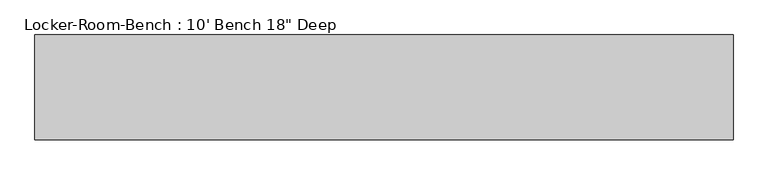
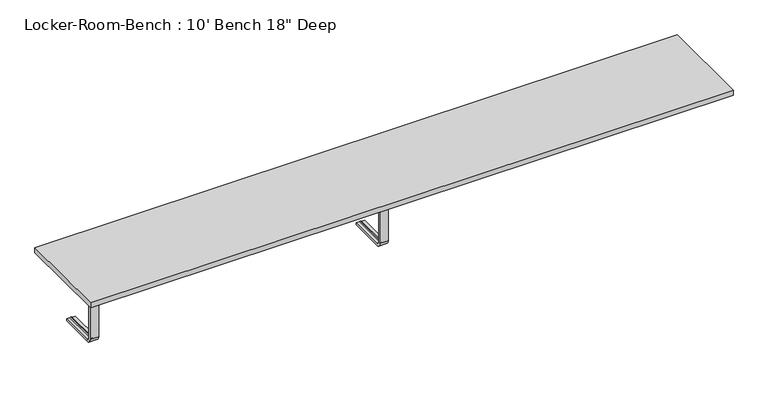
"""IFC4 building model written with IfcOpenShell, lengths in millimetres: proxy geometry."""

from ifc_helpers import new_model, si_unit, point, frame, origin, place, context, project, spatial, polyline, circle_curve, ellipse_curve, trimmed, outline, extrude, source, transform, mapped, element, save
from ifc_brep_helpers import plane_surface, cylinder_surface, revolved_surface, advanced_brep


def proxy_f73d78fc(model_context):
    return source(origin(), model_context, "Body", "SolidModel", [
        advanced_brep(
        [(-1354.0, 193.6, 381.4), (-1354.0, 193.6, 371.4), (-1369.0, 193.6, 371.4), (-1374.0, 193.6, 369.0684617), (-1379.0, 193.6, 371.4), (-1394.0, 193.6, 371.4), (-1394.0, 193.6, 381.4), (-1394.0, 25.0, 381.4), (-1354.0, 25.0, 381.4), (-1394.0, 25.0, 371.4), (-1394.0, 10.0, 356.4), (-1394.0, 10.0, 40.0), (-1394.0, 25.0, 25.0), (-1394.0, 193.6, 25.0), (-1394.0, 193.6, 15.0), (-1394.0, 25.0, 15.0), (-1394.0, 0.0, 40.0), (-1394.0, 0.0, 356.4), (-1379.0, 25.0, 371.4), (-1374.0, 25.0, 369.0684617), (-1369.0, 25.0, 371.4), (-1354.0, 25.0, 371.4), (-1354.0, 0.0, 356.4), (-1354.0, 0.0, 40.0), (-1354.0, 25.0, 15.0), (-1354.0, 193.6, 15.0), (-1354.0, 193.6, 25.0), (-1354.0, 25.0, 25.0), (-1354.0, 10.0, 40.0), (-1354.0, 10.0, 356.4), (-1379.0, 10.0, 356.4), (-1374.0, 12.3315383, 356.4), (-1369.0, 10.0, 356.4), (-1379.0, 10.0, 40.0), (-1374.0, 12.3315383, 40.0), (-1369.0, 10.0, 40.0), (-1379.0, 25.0, 25.0), (-1374.0, 25.0, 27.3315383), (-1369.0, 25.0, 25.0), (-1379.0, 193.6, 25.0), (-1374.0, 193.6, 27.3315383), (-1369.0, 193.6, 25.0)],
        [
            (0, 1),
            (1, 2),
            (2, 3, circle_curve(frame((-1373.7003591, 193.6, 374.9529162), z_axis=(0.0, 1.0, 0.0), x_axis=(0.0, 0.0, 1.0)), 5.8920785)),
            (3, 4, circle_curve(frame((-1374.2996409, 193.6, 374.9529162), z_axis=(0.0, 1.0, 0.0), x_axis=(0.0, 0.0, 1.0)), 5.8920785)),
            (4, 5),
            (5, 6),
            (6, 0),
            (6, 7),
            (7, 8),
            (8, 0),
            (5, 9),
            (9, 10, circle_curve(frame((-1394.0, 25.0, 356.4), z_axis=(1.0, 0.0, 0.0), x_axis=(0.0, 0.0, 1.0)), 15.0)),
            (10, 11),
            (11, 12, circle_curve(frame((-1394.0, 25.0, 40.0), z_axis=(1.0, 0.0, 0.0), x_axis=(0.0, -1.0, 0.0)), 15.0)),
            (12, 13),
            (13, 14),
            (14, 15),
            (15, 16, circle_curve(frame((-1394.0, 25.0, 40.0), z_axis=(-1.0, 0.0, 0.0), x_axis=(0.0, -1.0, 0.0)), 25.0)),
            (16, 17),
            (17, 7, circle_curve(frame((-1394.0, 25.0, 356.4), z_axis=(-1.0, 0.0, 0.0), x_axis=(0.0, 0.0, 1.0)), 25.0)),
            (4, 18),
            (18, 9),
            (3, 19),
            (19, 18, circle_curve(frame((-1374.2996409, 25.0, 374.9529162), z_axis=(0.0, 1.0, 0.0), x_axis=(0.0, 0.0, 1.0)), 5.8920785)),
            (2, 20),
            (20, 19, circle_curve(frame((-1373.7003591, 25.0, 374.9529162), z_axis=(0.0, 1.0, 0.0), x_axis=(0.0, 0.0, 1.0)), 5.8920785)),
            (1, 21),
            (21, 20),
            (8, 22, circle_curve(frame((-1354.0, 25.0, 356.4), z_axis=(1.0, 0.0, 0.0), x_axis=(0.0, 0.0, 1.0)), 25.0)),
            (22, 23),
            (23, 24, circle_curve(frame((-1354.0, 25.0, 40.0), z_axis=(1.0, 0.0, 0.0), x_axis=(0.0, -1.0, 0.0)), 25.0)),
            (24, 25),
            (25, 26),
            (26, 27),
            (27, 28, circle_curve(frame((-1354.0, 25.0, 40.0), z_axis=(-1.0, 0.0, 0.0), x_axis=(0.0, -1.0, 0.0)), 15.0)),
            (28, 29),
            (29, 21, circle_curve(frame((-1354.0, 25.0, 356.4), z_axis=(-1.0, 0.0, 0.0), x_axis=(0.0, 0.0, 1.0)), 15.0)),
            (17, 22),
            (30, 10),
            (18, 30, circle_curve(frame((-1379.0, 25.0, 356.4), z_axis=(1.0, 0.0, 0.0), x_axis=(0.0, 0.0, 1.0)), 15.0)),
            (31, 30, circle_curve(frame((-1374.2996409, 6.4470838, 356.4), z_axis=(0.0, 0.0, 1.0), x_axis=(0.0, -1.0, 0.0)), 5.8920785)),
            (19, 31, circle_curve(frame((-1374.0, 25.0, 356.4), z_axis=(1.0, 0.0, 0.0), x_axis=(0.0, 0.0, 1.0)), 12.6684617)),
            (32, 31, circle_curve(frame((-1373.7003591, 6.4470838, 356.4), z_axis=(0.0, 0.0, 1.0), x_axis=(0.0, -1.0, 0.0)), 5.8920785)),
            (20, 32, circle_curve(frame((-1369.0, 25.0, 356.4), z_axis=(1.0, 0.0, 0.0), x_axis=(0.0, 0.0, 1.0)), 15.0)),
            (29, 32),
            (16, 23),
            (30, 33),
            (33, 11),
            (31, 34),
            (34, 33, circle_curve(frame((-1374.2996409, 6.4470838, 40.0), z_axis=(0.0, 0.0, 1.0), x_axis=(0.0, -1.0, 0.0)), 5.8920785)),
            (32, 35),
            (35, 34, circle_curve(frame((-1373.7003591, 6.4470838, 40.0), z_axis=(0.0, 0.0, 1.0), x_axis=(0.0, -1.0, 0.0)), 5.8920785)),
            (28, 35),
            (15, 24),
            (36, 12),
            (33, 36, circle_curve(frame((-1379.0, 25.0, 40.0), z_axis=(1.0, 0.0, 0.0), x_axis=(0.0, -1.0, 0.0)), 15.0)),
            (37, 36, circle_curve(frame((-1374.2996409, 25.0, 21.4470838), z_axis=(0.0, -1.0, 0.0), x_axis=(0.0, 0.0, -1.0)), 5.8920785)),
            (34, 37, circle_curve(frame((-1374.0, 25.0, 40.0), z_axis=(1.0, 0.0, 0.0), x_axis=(0.0, -1.0, 0.0)), 12.6684617)),
            (38, 37, circle_curve(frame((-1373.7003591, 25.0, 21.4470838), z_axis=(0.0, -1.0, 0.0), x_axis=(0.0, 0.0, -1.0)), 5.8920785)),
            (35, 38, circle_curve(frame((-1369.0, 25.0, 40.0), z_axis=(1.0, 0.0, 0.0), x_axis=(0.0, -1.0, 0.0)), 15.0)),
            (27, 38),
            (25, 14),
            (13, 39),
            (39, 40, circle_curve(frame((-1374.2996409, 193.6, 21.4470838), z_axis=(0.0, 1.0, 0.0), x_axis=(0.0, 0.0, -1.0)), 5.8920785)),
            (40, 41, circle_curve(frame((-1373.7003591, 193.6, 21.4470838), z_axis=(0.0, 1.0, 0.0), x_axis=(0.0, 0.0, -1.0)), 5.8920785)),
            (41, 26),
            (36, 39),
            (37, 40),
            (38, 41),
        ],
        [
            plane_surface(frame((-1374.0, 193.6, 381.4), z_axis=(0.0, 1.0, 0.0), x_axis=(1.0, 0.0, 0.0))),
            plane_surface(frame((-1354.0, 193.6, 381.4), z_axis=(0.0, 0.0, 1.0), x_axis=(0.0, -1.0, 0.0))),
            plane_surface(frame((-1394.0, 193.6, 381.4), z_axis=(-1.0, 0.0, 0.0), x_axis=(0.0, -1.0, 0.0))),
            plane_surface(frame((-1394.0, 193.6, 371.4), z_axis=(0.0, 0.0, -1.0), x_axis=(0.0, -1.0, 0.0))),
            cylinder_surface(frame((-1374.2996409, 193.6, 374.9529162), z_axis=(0.0, 1.0, 0.0), x_axis=(0.0, 0.0, 1.0)), 5.8920785),
            cylinder_surface(frame((-1373.7003591, 193.6, 374.9529162), z_axis=(0.0, 1.0, 0.0), x_axis=(0.0, 0.0, 1.0)), 5.8920785),
            plane_surface(frame((-1369.0, 193.6, 371.4), z_axis=(0.0, 0.0, -1.0), x_axis=(0.0, -1.0, 0.0))),
            plane_surface(frame((-1354.0, 193.6, 371.4), z_axis=(1.0, 0.0, 0.0), x_axis=(0.0, -1.0, 0.0))),
            cylinder_surface(frame((-1374.0, 25.0, 356.4), z_axis=(-1.0, 0.0, 0.0), x_axis=(0.0, 0.0, 1.0)), 25.0),
            revolved_surface(polyline([(-1394.0, 25.0, 371.4), (-1379.0, 25.0, 371.4)]), (-1374.0, 25.0, 356.4), (-1.0, 0.0, 0.0)),
            revolved_surface(trimmed(ellipse_curve(frame((-1374.2996409, 25.0, 374.9529162), z_axis=(0.0, -1.0, 0.0), x_axis=(0.0, 0.0, 1.0)), 5.8920785, 5.8920785), [point((-1379.0, 25.0, 371.4))], [point((-1374.0, 25.0, 369.0684617))], True, "CARTESIAN"), (-1374.0, 25.0, 356.4), (-1.0, 0.0, 0.0)),
            revolved_surface(trimmed(ellipse_curve(frame((-1373.7003591, 25.0, 374.9529162), z_axis=(0.0, -1.0, 0.0), x_axis=(0.0, 0.0, 1.0)), 5.8920785, 5.8920785), [point((-1374.0, 25.0, 369.0684617))], [point((-1369.0, 25.0, 371.4))], True, "CARTESIAN"), (-1374.0, 25.0, 356.4), (-1.0, 0.0, 0.0)),
            revolved_surface(polyline([(-1369.0, 25.0, 371.4), (-1354.0, 25.0, 371.4)]), (-1374.0, 25.0, 356.4), (-1.0, 0.0, 0.0)),
            plane_surface(frame((-1354.0, 0.0, 356.4), z_axis=(0.0, -1.0, 0.0), x_axis=(0.0, 0.0, -1.0))),
            plane_surface(frame((-1394.0, 10.0, 356.4), z_axis=(0.0, 1.0, 0.0), x_axis=(0.0, 0.0, -1.0))),
            cylinder_surface(frame((-1374.2996409, 6.4470838, 356.4), z_axis=(0.0, 0.0, 1.0), x_axis=(0.0, -1.0, 0.0)), 5.8920785),
            cylinder_surface(frame((-1373.7003591, 6.4470838, 356.4), z_axis=(0.0, 0.0, 1.0), x_axis=(0.0, -1.0, 0.0)), 5.8920785),
            plane_surface(frame((-1369.0, 10.0, 356.4), z_axis=(0.0, 1.0, 0.0), x_axis=(0.0, 0.0, -1.0))),
            cylinder_surface(frame((-1374.0, 25.0, 40.0), z_axis=(-1.0, 0.0, 0.0), x_axis=(0.0, -1.0, 0.0)), 25.0),
            revolved_surface(polyline([(-1394.0, 10.0, 40.0), (-1379.0, 10.0, 40.0)]), (-1374.0, 25.0, 40.0), (-1.0, 0.0, 0.0)),
            revolved_surface(trimmed(ellipse_curve(frame((-1374.2996409, 6.4470838, 40.0), z_axis=(0.0, 0.0, -1.0), x_axis=(0.0, -1.0, 0.0)), 5.8920785, 5.8920785), [point((-1379.0, 10.0, 40.0))], [point((-1374.0, 12.3315383, 40.0))], True, "CARTESIAN"), (-1374.0, 25.0, 40.0), (-1.0, 0.0, 0.0)),
            revolved_surface(trimmed(ellipse_curve(frame((-1373.7003591, 6.4470838, 40.0), z_axis=(0.0, 0.0, -1.0), x_axis=(0.0, -1.0, 0.0)), 5.8920785, 5.8920785), [point((-1374.0, 12.3315383, 40.0))], [point((-1369.0, 10.0, 40.0))], True, "CARTESIAN"), (-1374.0, 25.0, 40.0), (-1.0, 0.0, 0.0)),
            revolved_surface(polyline([(-1369.0, 10.0, 40.0), (-1354.0, 10.0, 40.0)]), (-1374.0, 25.0, 40.0), (-1.0, 0.0, 0.0)),
            plane_surface(frame((-1374.0, 193.6, 15.0), z_axis=(0.0, 1.0, 0.0), x_axis=(1.0, 0.0, 0.0))),
            plane_surface(frame((-1354.0, 25.0, 15.0), z_axis=(0.0, 0.0, -1.0), x_axis=(0.0, 1.0, 0.0))),
            plane_surface(frame((-1394.0, 25.0, 25.0), z_axis=(0.0, 0.0, 1.0), x_axis=(0.0, 1.0, 0.0))),
            cylinder_surface(frame((-1374.2996409, 25.0, 21.4470838), z_axis=(0.0, -1.0, 0.0), x_axis=(0.0, 0.0, -1.0)), 5.8920785),
            cylinder_surface(frame((-1373.7003591, 25.0, 21.4470838), z_axis=(0.0, -1.0, 0.0), x_axis=(0.0, 0.0, -1.0)), 5.8920785),
            plane_surface(frame((-1369.0, 25.0, 25.0), z_axis=(0.0, 0.0, 1.0), x_axis=(0.0, 1.0, 0.0))),
        ],
        [
            (0, [[1, 2, 3, 4, 5, 6, 7]]),
            (1, [[8, 9, 10, -7]]),
            (2, [[11, 12, 13, 14, 15, 16, 17, 18, 19, 20, -8, -6]]),
            (3, [[21, 22, -11, -5]]),
            (4, [[23, 24, -21, -4]]),
            (5, [[25, 26, -23, -3]]),
            (6, [[27, 28, -25, -2]]),
            (7, [[-10, 29, 30, 31, 32, 33, 34, 35, 36, 37, -27, -1]]),
            (8, [[38, -29, -9, -20]]),
            (9, [[39, -12, -22, 40]]),
            (10, [[41, -40, -24, 42]]),
            (11, [[43, -42, -26, 44]]),
            (12, [[45, -44, -28, -37]]),
            (13, [[-19, 46, -30, -38]]),
            (14, [[47, 48, -13, -39]]),
            (15, [[49, 50, -47, -41]]),
            (16, [[51, 52, -49, -43]]),
            (17, [[-36, 53, -51, -45]]),
            (18, [[54, -31, -46, -18]]),
            (19, [[55, -14, -48, 56]]),
            (20, [[57, -56, -50, 58]]),
            (21, [[59, -58, -52, 60]]),
            (22, [[61, -60, -53, -35]]),
            (23, [[62, -16, 63, 64, 65, 66, -33]]),
            (24, [[-17, -62, -32, -54]]),
            (25, [[67, -63, -15, -55]]),
            (26, [[68, -64, -67, -57]]),
            (27, [[69, -65, -68, -59]]),
            (28, [[-34, -66, -69, -61]]),
        ],
    ),
        advanced_brep(
        [(20.0, 193.6, 381.4), (20.0, 193.6, 371.4), (5.0, 193.6, 371.4), (0.0, 193.6, 369.0684617), (-5.0, 193.6, 371.4), (-20.0, 193.6, 371.4), (-20.0, 193.6, 381.4), (-20.0, 25.0, 381.4), (20.0, 25.0, 381.4), (-20.0, 25.0, 371.4), (-20.0, 10.0, 356.4), (-20.0, 10.0, 40.0), (-20.0, 25.0, 25.0), (-20.0, 193.6, 25.0), (-20.0, 193.6, 15.0), (-20.0, 25.0, 15.0), (-20.0, 0.0, 40.0), (-20.0, 0.0, 356.4), (-5.0, 25.0, 371.4), (0.0, 25.0, 369.0684617), (5.0, 25.0, 371.4), (20.0, 25.0, 371.4), (20.0, 0.0, 356.4), (20.0, 0.0, 40.0), (20.0, 25.0, 15.0), (20.0, 193.6, 15.0), (20.0, 193.6, 25.0), (20.0, 25.0, 25.0), (20.0, 10.0, 40.0), (20.0, 10.0, 356.4), (-5.0, 10.0, 356.4), (0.0, 12.3315383, 356.4), (5.0, 10.0, 356.4), (-5.0, 10.0, 40.0), (0.0, 12.3315383, 40.0), (5.0, 10.0, 40.0), (-5.0, 25.0, 25.0), (0.0, 25.0, 27.3315383), (5.0, 25.0, 25.0), (-5.0, 193.6, 25.0), (0.0, 193.6, 27.3315383), (5.0, 193.6, 25.0)],
        [
            (0, 1),
            (1, 2),
            (2, 3, circle_curve(frame((0.2996409, 193.6, 374.9529162), z_axis=(0.0, 1.0, 0.0), x_axis=(0.0, 0.0, 1.0)), 5.8920785)),
            (3, 4, circle_curve(frame((-0.2996409, 193.6, 374.9529162), z_axis=(0.0, 1.0, 0.0), x_axis=(0.0, 0.0, 1.0)), 5.8920785)),
            (4, 5),
            (5, 6),
            (6, 0),
            (6, 7),
            (7, 8),
            (8, 0),
            (5, 9),
            (9, 10, circle_curve(frame((-20.0, 25.0, 356.4), z_axis=(1.0, 0.0, 0.0), x_axis=(0.0, 0.0, 1.0)), 15.0)),
            (10, 11),
            (11, 12, circle_curve(frame((-20.0, 25.0, 40.0), z_axis=(1.0, 0.0, 0.0), x_axis=(0.0, -1.0, 0.0)), 15.0)),
            (12, 13),
            (13, 14),
            (14, 15),
            (15, 16, circle_curve(frame((-20.0, 25.0, 40.0), z_axis=(-1.0, 0.0, 0.0), x_axis=(0.0, -1.0, 0.0)), 25.0)),
            (16, 17),
            (17, 7, circle_curve(frame((-20.0, 25.0, 356.4), z_axis=(-1.0, 0.0, 0.0), x_axis=(0.0, 0.0, 1.0)), 25.0)),
            (4, 18),
            (18, 9),
            (3, 19),
            (19, 18, circle_curve(frame((-0.2996409, 25.0, 374.9529162), z_axis=(0.0, 1.0, 0.0), x_axis=(0.0, 0.0, 1.0)), 5.8920785)),
            (2, 20),
            (20, 19, circle_curve(frame((0.2996409, 25.0, 374.9529162), z_axis=(0.0, 1.0, 0.0), x_axis=(0.0, 0.0, 1.0)), 5.8920785)),
            (1, 21),
            (21, 20),
            (8, 22, circle_curve(frame((20.0, 25.0, 356.4), z_axis=(1.0, 0.0, 0.0), x_axis=(0.0, 0.0, 1.0)), 25.0)),
            (22, 23),
            (23, 24, circle_curve(frame((20.0, 25.0, 40.0), z_axis=(1.0, 0.0, 0.0), x_axis=(0.0, -1.0, 0.0)), 25.0)),
            (24, 25),
            (25, 26),
            (26, 27),
            (27, 28, circle_curve(frame((20.0, 25.0, 40.0), z_axis=(-1.0, 0.0, 0.0), x_axis=(0.0, -1.0, 0.0)), 15.0)),
            (28, 29),
            (29, 21, circle_curve(frame((20.0, 25.0, 356.4), z_axis=(-1.0, 0.0, 0.0), x_axis=(0.0, 0.0, 1.0)), 15.0)),
            (17, 22),
            (30, 10),
            (18, 30, circle_curve(frame((-5.0, 25.0, 356.4), z_axis=(1.0, 0.0, 0.0), x_axis=(0.0, 0.0, 1.0)), 15.0)),
            (31, 30, circle_curve(frame((-0.2996409, 6.4470838, 356.4), z_axis=(0.0, 0.0, 1.0), x_axis=(0.0, -1.0, 0.0)), 5.8920785)),
            (19, 31, circle_curve(frame((0.0, 25.0, 356.4), z_axis=(1.0, 0.0, 0.0), x_axis=(0.0, 0.0, 1.0)), 12.6684617)),
            (32, 31, circle_curve(frame((0.2996409, 6.4470838, 356.4), z_axis=(0.0, 0.0, 1.0), x_axis=(0.0, -1.0, 0.0)), 5.8920785)),
            (20, 32, circle_curve(frame((5.0, 25.0, 356.4), z_axis=(1.0, 0.0, 0.0), x_axis=(0.0, 0.0, 1.0)), 15.0)),
            (29, 32),
            (16, 23),
            (30, 33),
            (33, 11),
            (31, 34),
            (34, 33, circle_curve(frame((-0.2996409, 6.4470838, 40.0), z_axis=(0.0, 0.0, 1.0), x_axis=(0.0, -1.0, 0.0)), 5.8920785)),
            (32, 35),
            (35, 34, circle_curve(frame((0.2996409, 6.4470838, 40.0), z_axis=(0.0, 0.0, 1.0), x_axis=(0.0, -1.0, 0.0)), 5.8920785)),
            (28, 35),
            (15, 24),
            (36, 12),
            (33, 36, circle_curve(frame((-5.0, 25.0, 40.0), z_axis=(1.0, 0.0, 0.0), x_axis=(0.0, -1.0, 0.0)), 15.0)),
            (37, 36, circle_curve(frame((-0.2996409, 25.0, 21.4470838), z_axis=(0.0, -1.0, 0.0), x_axis=(0.0, 0.0, -1.0)), 5.8920785)),
            (34, 37, circle_curve(frame((0.0, 25.0, 40.0), z_axis=(1.0, 0.0, 0.0), x_axis=(0.0, -1.0, 0.0)), 12.6684617)),
            (38, 37, circle_curve(frame((0.2996409, 25.0, 21.4470838), z_axis=(0.0, -1.0, 0.0), x_axis=(0.0, 0.0, -1.0)), 5.8920785)),
            (35, 38, circle_curve(frame((5.0, 25.0, 40.0), z_axis=(1.0, 0.0, 0.0), x_axis=(0.0, -1.0, 0.0)), 15.0)),
            (27, 38),
            (25, 14),
            (13, 39),
            (39, 40, circle_curve(frame((-0.2996409, 193.6, 21.4470838), z_axis=(0.0, 1.0, 0.0), x_axis=(0.0, 0.0, -1.0)), 5.8920785)),
            (40, 41, circle_curve(frame((0.2996409, 193.6, 21.4470838), z_axis=(0.0, 1.0, 0.0), x_axis=(0.0, 0.0, -1.0)), 5.8920785)),
            (41, 26),
            (36, 39),
            (37, 40),
            (38, 41),
        ],
        [
            plane_surface(frame((0.0, 193.6, 381.4), z_axis=(0.0, 1.0, 0.0), x_axis=(1.0, 0.0, 0.0))),
            plane_surface(frame((20.0, 193.6, 381.4), z_axis=(0.0, 0.0, 1.0), x_axis=(0.0, -1.0, 0.0))),
            plane_surface(frame((-20.0, 193.6, 381.4), z_axis=(-1.0, 0.0, 0.0), x_axis=(0.0, -1.0, 0.0))),
            plane_surface(frame((-20.0, 193.6, 371.4), z_axis=(0.0, 0.0, -1.0), x_axis=(0.0, -1.0, 0.0))),
            cylinder_surface(frame((-0.2996409, 193.6, 374.9529162), z_axis=(0.0, 1.0, 0.0), x_axis=(0.0, 0.0, 1.0)), 5.8920785),
            cylinder_surface(frame((0.2996409, 193.6, 374.9529162), z_axis=(0.0, 1.0, 0.0), x_axis=(0.0, 0.0, 1.0)), 5.8920785),
            plane_surface(frame((5.0, 193.6, 371.4), z_axis=(0.0, 0.0, -1.0), x_axis=(0.0, -1.0, 0.0))),
            plane_surface(frame((20.0, 193.6, 371.4), z_axis=(1.0, 0.0, 0.0), x_axis=(0.0, -1.0, 0.0))),
            cylinder_surface(frame((0.0, 25.0, 356.4), z_axis=(-1.0, 0.0, 0.0), x_axis=(0.0, 0.0, 1.0)), 25.0),
            revolved_surface(polyline([(-20.0, 25.0, 371.4), (-5.0, 25.0, 371.4)]), (0.0, 25.0, 356.4), (-1.0, 0.0, 0.0)),
            revolved_surface(trimmed(ellipse_curve(frame((-0.2996409, 25.0, 374.9529162), z_axis=(0.0, -1.0, 0.0), x_axis=(0.0, 0.0, 1.0)), 5.8920785, 5.8920785), [point((-5.0, 25.0, 371.4))], [point((0.0, 25.0, 369.0684617))], True, "CARTESIAN"), (0.0, 25.0, 356.4), (-1.0, 0.0, 0.0)),
            revolved_surface(trimmed(ellipse_curve(frame((0.2996409, 25.0, 374.9529162), z_axis=(0.0, -1.0, 0.0), x_axis=(0.0, 0.0, 1.0)), 5.8920785, 5.8920785), [point((0.0, 25.0, 369.0684617))], [point((5.0, 25.0, 371.4))], True, "CARTESIAN"), (0.0, 25.0, 356.4), (-1.0, 0.0, 0.0)),
            revolved_surface(polyline([(5.0, 25.0, 371.4), (20.0, 25.0, 371.4)]), (0.0, 25.0, 356.4), (-1.0, 0.0, 0.0)),
            plane_surface(frame((20.0, 0.0, 356.4), z_axis=(0.0, -1.0, 0.0), x_axis=(0.0, 0.0, -1.0))),
            plane_surface(frame((-20.0, 10.0, 356.4), z_axis=(0.0, 1.0, 0.0), x_axis=(0.0, 0.0, -1.0))),
            cylinder_surface(frame((-0.2996409, 6.4470838, 356.4), z_axis=(0.0, 0.0, 1.0), x_axis=(0.0, -1.0, 0.0)), 5.8920785),
            cylinder_surface(frame((0.2996409, 6.4470838, 356.4), z_axis=(0.0, 0.0, 1.0), x_axis=(0.0, -1.0, 0.0)), 5.8920785),
            plane_surface(frame((5.0, 10.0, 356.4), z_axis=(0.0, 1.0, 0.0), x_axis=(0.0, 0.0, -1.0))),
            cylinder_surface(frame((0.0, 25.0, 40.0), z_axis=(-1.0, 0.0, 0.0), x_axis=(0.0, -1.0, 0.0)), 25.0),
            revolved_surface(polyline([(-20.0, 10.0, 40.0), (-5.0, 10.0, 40.0)]), (0.0, 25.0, 40.0), (-1.0, 0.0, 0.0)),
            revolved_surface(trimmed(ellipse_curve(frame((-0.2996409, 6.4470838, 40.0), z_axis=(0.0, 0.0, -1.0), x_axis=(0.0, -1.0, 0.0)), 5.8920785, 5.8920785), [point((-5.0, 10.0, 40.0))], [point((0.0, 12.3315383, 40.0))], True, "CARTESIAN"), (0.0, 25.0, 40.0), (-1.0, 0.0, 0.0)),
            revolved_surface(trimmed(ellipse_curve(frame((0.2996409, 6.4470838, 40.0), z_axis=(0.0, 0.0, -1.0), x_axis=(0.0, -1.0, 0.0)), 5.8920785, 5.8920785), [point((0.0, 12.3315383, 40.0))], [point((5.0, 10.0, 40.0))], True, "CARTESIAN"), (0.0, 25.0, 40.0), (-1.0, 0.0, 0.0)),
            revolved_surface(polyline([(5.0, 10.0, 40.0), (20.0, 10.0, 40.0)]), (0.0, 25.0, 40.0), (-1.0, 0.0, 0.0)),
            plane_surface(frame((0.0, 193.6, 15.0), z_axis=(0.0, 1.0, 0.0), x_axis=(1.0, 0.0, 0.0))),
            plane_surface(frame((20.0, 25.0, 15.0), z_axis=(0.0, 0.0, -1.0), x_axis=(0.0, 1.0, 0.0))),
            plane_surface(frame((-20.0, 25.0, 25.0), z_axis=(0.0, 0.0, 1.0), x_axis=(0.0, 1.0, 0.0))),
            cylinder_surface(frame((-0.2996409, 25.0, 21.4470838), z_axis=(0.0, -1.0, 0.0), x_axis=(0.0, 0.0, -1.0)), 5.8920785),
            cylinder_surface(frame((0.2996409, 25.0, 21.4470838), z_axis=(0.0, -1.0, 0.0), x_axis=(0.0, 0.0, -1.0)), 5.8920785),
            plane_surface(frame((5.0, 25.0, 25.0), z_axis=(0.0, 0.0, 1.0), x_axis=(0.0, 1.0, 0.0))),
        ],
        [
            (0, [[1, 2, 3, 4, 5, 6, 7]]),
            (1, [[8, 9, 10, -7]]),
            (2, [[11, 12, 13, 14, 15, 16, 17, 18, 19, 20, -8, -6]]),
            (3, [[21, 22, -11, -5]]),
            (4, [[23, 24, -21, -4]]),
            (5, [[25, 26, -23, -3]]),
            (6, [[27, 28, -25, -2]]),
            (7, [[-10, 29, 30, 31, 32, 33, 34, 35, 36, 37, -27, -1]]),
            (8, [[38, -29, -9, -20]]),
            (9, [[39, -12, -22, 40]]),
            (10, [[41, -40, -24, 42]]),
            (11, [[43, -42, -26, 44]]),
            (12, [[45, -44, -28, -37]]),
            (13, [[-19, 46, -30, -38]]),
            (14, [[47, 48, -13, -39]]),
            (15, [[49, 50, -47, -41]]),
            (16, [[51, 52, -49, -43]]),
            (17, [[-36, 53, -51, -45]]),
            (18, [[54, -31, -46, -18]]),
            (19, [[55, -14, -48, 56]]),
            (20, [[57, -56, -50, 58]]),
            (21, [[59, -58, -52, 60]]),
            (22, [[61, -60, -53, -35]]),
            (23, [[62, -16, 63, 64, 65, 66, -33]]),
            (24, [[-17, -62, -32, -54]]),
            (25, [[67, -63, -15, -55]]),
            (26, [[68, -64, -67, -57]]),
            (27, [[69, -65, -68, -59]]),
            (28, [[-34, -66, -69, -61]]),
        ],
    ),
        extrude(outline(polyline([(1524.0, -228.6), (-1524.0, -228.6), (-1524.0, 228.6), (1524.0, 228.6), (1524.0, -228.6)])), frame((0.0, 0.0, 381.4), z_axis=(0.0, 0.0, 1.0), x_axis=(1.0, 0.0, 0.0)), (0.0, 0.0, 1.0), 25.0),
    ])


if __name__ == "__main__":
    model = new_model("IFC4")
    model_context = context("Model", 3, world=origin())
    ifc_project = project(units=[si_unit("LENGTHUNIT", "METRE", prefix="MILLI")], contexts=[model_context])
    site = spatial("IfcSite", under=ifc_project)
    building = spatial("IfcBuilding", under=site)
    placement = place(None, origin())
    proxy_shape = proxy_f73d78fc(model_context)
    element("IfcBuildingElementProxy", 1, Name="Locker-Room-Bench : 10' Bench 18\" Deep", ObjectType="Locker-Room-Bench : 10' Bench 18\" Deep", at=placement, inside=building, context=model_context, shape_type="MappedRepresentation", body=[
        mapped(proxy_shape, transform((0.0, 0.0, 0.0), x_axis=(1.0, 0.0, 0.0), y_axis=(0.0, 1.0, 0.0), z_axis=(0.0, 0.0, 1.0))),
    ])
    save(model, "model.ifc")
